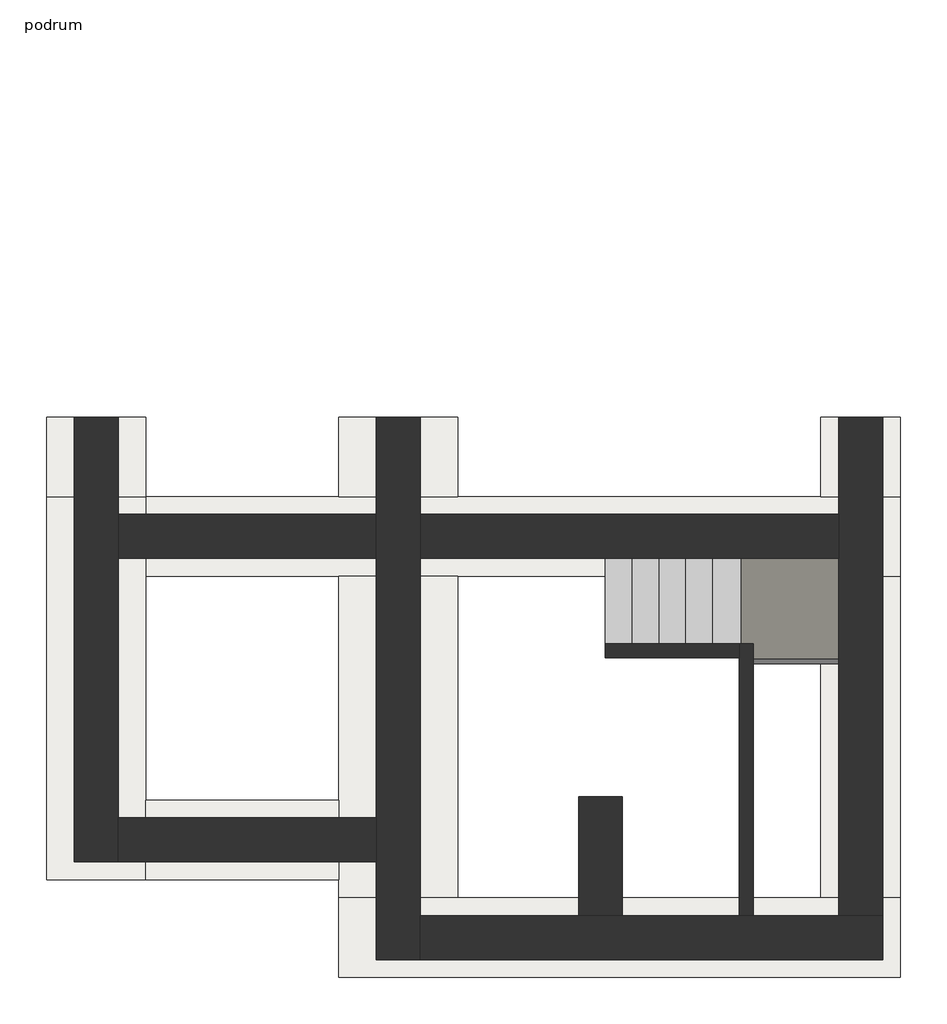
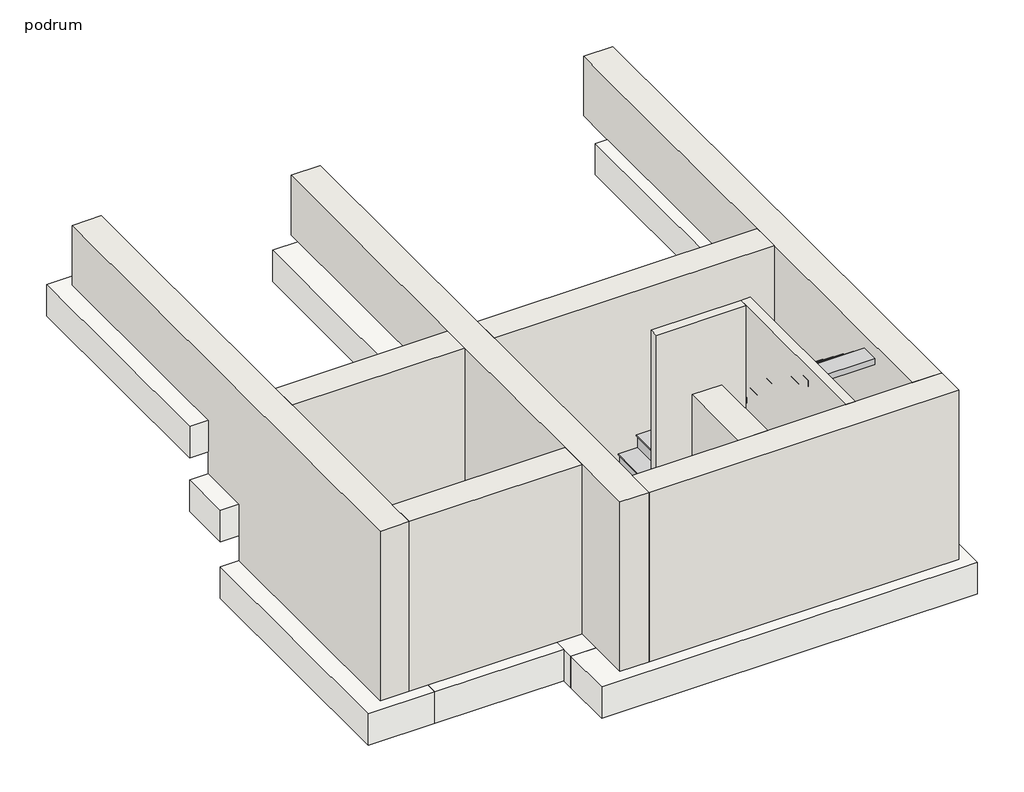
# One storey: 9 walls, 6 footings, 2 stair flights, 1 slab.
"""IFC4 building model written with IfcOpenShell, lengths in millimetres."""

from ifc_helpers import new_model, si_unit, frame, origin, place, context, project, spatial, polyline, outline, extrude, faceted_brep, element, save

model = new_model("IFC4")

# Units and contexts
model_context = context("Model", 3, world=origin())
ifc_project = project(units=[si_unit("LENGTHUNIT", "METRE", prefix="MILLI")], contexts=[model_context])

# Site, building, storey
site = spatial("IfcSite", under=ifc_project)
building = spatial("IfcBuilding", under=site)
storey = spatial("IfcBuildingStorey", under=building, Name="podrum", Elevation=-2700.0)

# Footings
placement = place(None, origin())
element("IfcFooting", 1, at=placement, inside=storey, context=model_context, shape_type="Brep", body=[
    faceted_brep([(-5802.7764394, 1605.8242855, -950.0), (-6802.7764394, 1605.8242855, -950.0), (-6802.7764394, 1605.8242855, -1450.0), (-5802.7764394, 1605.8242855, -1450.0), (-6802.7764394, 5335.8242855, -950.0), (-5802.7764394, 2850.8242855, -950.0), (-5802.7764394, 3650.8242855, -950.0), (-5802.7764394, 4535.8242855, -950.0), (-5802.7764394, 5335.8242855, -950.0), (-5802.7764394, 5335.8242855, -1450.0), (-5802.7764394, 2850.8242855, -1450.0), (-5802.7764394, 3650.8242855, -1450.0), (-5802.7764394, 4535.8242855, -1450.0), (-6802.7764394, 5335.8242855, -1450.0)], [[[0, 1, 2, 3]], [[4, 1, 0, 5, 6, 7, 8]], [[9, 8, 7, 6, 5, 0, 3, 10, 11, 12]], [[13, 9, 12, 11, 10, 3, 2]], [[4, 13, 2, 1]], [[4, 8, 9, 13]]]),
    faceted_brep([(-6802.7764394, 1605.8242855, -1800.0), (-5802.7764394, 1605.8242855, -1800.0), (-5802.7764394, 1605.8242855, -2300.0), (-6802.7764394, 1605.8242855, -2300.0), (-5802.7764394, 805.8242855, -1800.0), (-6802.7764394, 805.8242855, -1800.0), (-6802.7764394, 805.8242855, -2300.0), (-5802.7764394, 805.8242855, -2300.0)], [[[0, 1, 2, 3]], [[4, 5, 6, 7]], [[0, 5, 4, 1]], [[2, 1, 4, 7]], [[3, 2, 7, 6]], [[0, 3, 6, 5]]]),
    faceted_brep([(-6802.7764394, 805.8242855, -2700.0), (-5802.7764394, 805.8242855, -2700.0), (-5802.7764394, 805.8242855, -3200.0), (-6802.7764394, 805.8242855, -3200.0), (-6802.7764394, -3049.1757145, -2700.0), (-5802.7764394, -3049.1757145, -2700.0), (-5802.7764394, -2249.1757145, -2700.0), (-5802.7764394, 5.8242855, -2700.0), (-5802.7764394, -3049.1757145, -3200.0), (-5802.7764394, -2249.1757145, -3200.0), (-5802.7764394, 5.8242855, -3200.0), (-6802.7764394, -3049.1757145, -3200.0)], [[[0, 1, 2, 3]], [[0, 4, 5, 6, 7, 1]], [[2, 1, 7, 6, 5, 8, 9, 10]], [[3, 2, 10, 9, 8, 11]], [[0, 3, 11, 4]], [[5, 4, 11, 8]]]),
])
element("IfcFooting", 2, at=placement, inside=storey, context=model_context, shape_type="Brep", body=[
    faceted_brep([(1792.2235606, 5.8242855, -2700.0), (1792.2235606, 805.8242855, -2700.0), (-5802.7764394, 805.8242855, -2700.0), (-5802.7764394, 5.8242855, -2700.0), (-3862.7764394, 5.8242855, -2700.0), (-2662.7764394, 5.8242855, -2700.0), (992.2235606, 5.8242855, -2700.0), (1792.2235606, 5.8242855, -3200.0), (-5802.7764394, 5.8242855, -3200.0), (-3862.7764394, 5.8242855, -3200.0), (-2662.7764394, 5.8242855, -3200.0), (992.2235606, 5.8242855, -3200.0), (1792.2235606, 805.8242855, -3200.0), (-5802.7764394, 805.8242855, -3200.0)], [[[0, 1, 2, 3, 4, 5, 6]], [[7, 0, 6, 5, 4, 3, 8, 9, 10, 11]], [[12, 7, 11, 10, 9, 8, 13]], [[1, 12, 13, 2]], [[3, 2, 13, 8]], [[1, 0, 7, 12]]]),
])
element("IfcFooting", 3, at=placement, inside=storey, context=model_context, shape_type="Brep", body=[
    faceted_brep([(-3862.7764394, -4034.1757145, -2700.0), (1792.2235606, -4034.1757145, -2700.0), (1792.2235606, -3234.1757145, -2700.0), (992.2235606, -3234.1757145, -2700.0), (-2662.7764394, -3234.1757145, -2700.0), (-3862.7764394, -3234.1757145, -2700.0), (-3862.7764394, -3234.1757145, -3200.0), (1792.2235606, -3234.1757145, -3200.0), (992.2235606, -3234.1757145, -3200.0), (-2662.7764394, -3234.1757145, -3200.0), (-3862.7764394, -4034.1757145, -3200.0), (1792.2235606, -4034.1757145, -3200.0)], [[[0, 1, 2, 3, 4, 5]], [[6, 5, 4, 3, 2, 7, 8, 9]], [[10, 6, 9, 8, 7, 11]], [[0, 10, 11, 1]], [[0, 5, 6, 10]], [[2, 1, 11, 7]]]),
])
element("IfcFooting", 4, at=placement, inside=storey, context=model_context, shape_type="SweptSolid", body=[
    extrude(outline(polyline([(-3862.7764394, -2249.1757145), (-3862.7764394, -3049.1757145), (-5802.7764394, -3049.1757145), (-5802.7764394, -2249.1757145), (-3862.7764394, -2249.1757145)])), frame((0.0, 0.0, -3200.0), z_axis=(0.0, 0.0, 1.0), x_axis=(1.0, 0.0, 0.0)), (0.0, 0.0, 1.0), 500.0),
])
element("IfcFooting", 5, at=placement, inside=storey, context=model_context, shape_type="Brep", body=[
    faceted_brep([(-2662.7764394, 1605.8242855, -1450.0), (-2662.7764394, 1605.8242855, -950.0), (-3862.7764394, 1605.8242855, -950.0), (-3862.7764394, 1605.8242855, -1450.0), (-2662.7764394, 4535.8242855, -950.0), (-3862.7764394, 4535.8242855, -950.0), (-3862.7764394, 3650.8242855, -950.0), (-3862.7764394, 2850.8242855, -950.0), (-2662.7764394, 4535.8242855, -1450.0), (-3862.7764394, 2850.8242855, -1450.0), (-3862.7764394, 3650.8242855, -1450.0), (-3862.7764394, 4535.8242855, -1450.0)], [[[0, 1, 2, 3]], [[2, 1, 4, 5, 6, 7]], [[1, 0, 8, 4]], [[0, 3, 9, 10, 11, 8]], [[3, 2, 7, 6, 5, 11, 10, 9]], [[5, 4, 8, 11]]]),
    faceted_brep([(-2662.7764394, 1605.8242855, -1800.0), (-2662.7764394, 1605.8242855, -2300.0), (-3862.7764394, 1605.8242855, -2300.0), (-3862.7764394, 1605.8242855, -1800.0), (-2662.7764394, 805.8242855, -2300.0), (-2662.7764394, 805.8242855, -1800.0), (-3862.7764394, 805.8242855, -1800.0), (-3862.7764394, 805.8242855, -2300.0)], [[[0, 1, 2, 3]], [[4, 5, 6, 7]], [[5, 0, 3, 6]], [[1, 0, 5, 4]], [[2, 1, 4, 7]], [[3, 2, 7, 6]]]),
    faceted_brep([(-2662.7764394, 5.8242855, -2700.0), (-3862.7764394, 5.8242855, -2700.0), (-3862.7764394, -2249.1757145, -2700.0), (-3862.7764394, -3049.1757145, -2700.0), (-3862.7764394, -3234.1757145, -2700.0), (-2662.7764394, -3234.1757145, -2700.0), (-2662.7764394, 5.8242855, -3200.0), (-2662.7764394, -3234.1757145, -3200.0), (-3862.7764394, 5.8242855, -3200.0), (-3862.7764394, -3234.1757145, -3200.0), (-3862.7764394, -3049.1757145, -3200.0), (-3862.7764394, -2249.1757145, -3200.0)], [[[0, 1, 2, 3, 4, 5]], [[6, 0, 5, 7]], [[8, 6, 7, 9, 10, 11]], [[1, 8, 11, 10, 9, 4, 3, 2]], [[1, 0, 6, 8]], [[5, 4, 9, 7]]]),
])
element("IfcFooting", 6, at=placement, inside=storey, context=model_context, shape_type="SweptSolid", body=[
    extrude(outline(polyline([(992.2235606, 5.8242855), (1792.2235606, 5.8242855), (1792.2235606, -3234.1757145), (992.2235606, -3234.1757145), (992.2235606, 5.8242855)])), frame((0.0, 0.0, -3200.0), z_axis=(0.0, 0.0, 1.0), x_axis=(1.0, 0.0, 0.0)), (0.0, 0.0, 1.0), 500.0),
    extrude(outline(polyline([(1792.2235606, 805.8242855), (992.2235606, 805.8242855), (992.2235606, 1605.8242855), (1792.2235606, 1605.8242855), (1792.2235606, 805.8242855)])), frame((0.0, 0.0, -2300.0), z_axis=(0.0, 0.0, 1.0), x_axis=(1.0, 0.0, 0.0)), (0.0, 0.0, 1.0), 500.0),
    extrude(outline(polyline([(1792.2235606, 1605.8242855), (992.2235606, 1605.8242855), (992.2235606, 4535.8242855), (1792.2235606, 4535.8242855), (1792.2235606, 1605.8242855)])), frame((0.0, 0.0, -1450.0), z_axis=(0.0, 0.0, 1.0), x_axis=(1.0, 0.0, 0.0)), (0.0, 0.0, 1.0), 500.0),
])

# Slab
element("IfcSlab", 7, ObjectType="Non-Monolithic Landing", at=placement, inside=storey, context=model_context, shape_type="Brep", body=[
    faceted_brep([(172.2235606, -833.2257145, -1453.8461538), (1172.2235606, -833.2257145, -1453.8461538), (1172.2235606, -814.1757145, -1453.8461538), (1172.2235606, -706.2334581, -1453.8461538), (1172.2235606, 185.8242855, -1453.8461538), (334.2813042, 185.8242855, -1453.8461538), (172.2235606, 185.8242855, -1453.8461538), (172.2235606, -814.1757145, -1453.8461538), (191.2735606, -814.1757145, -1491.9461538), (191.2735606, 185.8242855, -1491.9461538), (191.2735606, 185.8242855, -1661.5384615), (191.2735606, 185.8242855, -1741.6521105), (191.2735606, -814.1757145, -1741.6521105), (191.2735606, -814.1757145, -1661.5384615), (191.2735606, -814.1757145, -1548.6136489), (172.2235606, -814.1757145, -1472.8961538), (172.2235606, -814.1757145, -1548.6136489), (172.2235606, 185.8242855, -1472.8961538), (172.2235606, -833.2257145, -1533.9598028), (1172.2235606, -833.2257145, -1533.9598028), (1172.2235606, -814.1757145, -1548.6136489), (1172.2235606, -706.2334581, -1631.6461538), (1172.2235606, 185.8242855, -1631.6461538), (334.2813042, 185.8242855, -1631.6461538), (334.2813042, -706.2334581, -1631.6461538), (334.2813042, -814.1757145, -1631.6461538), (334.2813042, -814.1757145, -1548.6136489)], [[[0, 1, 2, 3, 4, 5, 6, 7]], [[8, 9, 10, 11, 12, 13, 14]], [[15, 8, 14, 16]], [[6, 17, 15, 16, 18, 0, 7]], [[1, 0, 18, 19]], [[2, 1, 19, 20]], [[2, 20, 21, 22, 4, 3]], [[17, 6, 5, 4, 22, 23, 11, 10, 9]], [[24, 23, 22, 21]], [[24, 25, 12, 11, 23]], [[25, 24, 26]], [[25, 26, 14, 13, 12]], [[24, 21, 20, 19, 18, 16, 14, 26]], [[9, 8, 15, 17]]]),
])

# Stair flights
element("IfcStairFlight", 8, ObjectType="2\" Tread 1\" Nosing 1/4\" Riser", at=placement, inside=storey, context=model_context, shape_type="Brep", body=[
    faceted_brep([(-888.7264394, 185.8242855, -2492.3076923), (-1177.7764394, 185.8242855, -2492.3076923), (-1177.7764394, -814.1757145, -2492.3076923), (-888.7264394, -814.1757145, -2492.3076923), (-888.7264394, 185.8242855, -2572.4213412), (-1054.5786958, 185.8242855, -2700.0), (-1158.7264394, 185.8242855, -2700.0), (-1158.7264394, 185.8242855, -2530.4076923), (-1177.7764394, 185.8242855, -2511.3576923), (-1158.7264394, -814.1757145, -2700.0), (-1158.7264394, -814.1757145, -2530.4076923), (-1177.7764394, -814.1757145, -2511.3576923), (-1054.5786958, -814.1757145, -2700.0), (-888.7264394, -814.1757145, -2572.4213412), (-618.7264394, 185.8242855, -2284.6153846), (-907.7764394, 185.8242855, -2284.6153846), (-907.7764394, -814.1757145, -2284.6153846), (-618.7264394, -814.1757145, -2284.6153846), (-618.7264394, 185.8242855, -2364.7290335), (-888.7264394, 185.8242855, -2322.7153846), (-907.7764394, 185.8242855, -2303.6653846), (-888.7264394, -814.1757145, -2322.7153846), (-907.7764394, -814.1757145, -2303.6653846), (-618.7264394, -814.1757145, -2364.7290335), (-348.7264394, 185.8242855, -2076.9230769), (-637.7764394, 185.8242855, -2076.9230769), (-637.7764394, -814.1757145, -2076.9230769), (-348.7264394, -814.1757145, -2076.9230769), (-348.7264394, 185.8242855, -2157.0367259), (-618.7264394, 185.8242855, -2115.0230769), (-637.7764394, 185.8242855, -2095.9730769), (-618.7264394, -814.1757145, -2115.0230769), (-637.7764394, -814.1757145, -2095.9730769), (-348.7264394, -814.1757145, -2157.0367259), (-78.7264394, 185.8242855, -1869.2307692), (-367.7764394, 185.8242855, -1869.2307692), (-367.7764394, -814.1757145, -1869.2307692), (-78.7264394, -814.1757145, -1869.2307692), (-78.7264394, 185.8242855, -1949.3444182), (-348.7264394, 185.8242855, -1907.3307692), (-367.7764394, 185.8242855, -1888.2807692), (-348.7264394, -814.1757145, -1907.3307692), (-367.7764394, -814.1757145, -1888.2807692), (-78.7264394, -814.1757145, -1949.3444182), (191.2735606, 185.8242855, -1661.5384615), (172.2235606, 185.8242855, -1661.5384615), (-97.7764394, 185.8242855, -1661.5384615), (-97.7764394, -814.1757145, -1661.5384615), (172.2235606, -814.1757145, -1661.5384615), (191.2735606, -814.1757145, -1661.5384615), (191.2735606, 185.8242855, -1741.6521105), (172.2235606, 185.8242855, -1756.3059566), (-78.7264394, -814.1757145, -1699.6384615), (-78.7264394, 185.8242855, -1699.6384615), (-97.7764394, -814.1757145, -1680.5884615), (172.2235606, -814.1757145, -1756.3059566), (191.2735606, -814.1757145, -1741.6521105), (-97.7764394, 185.8242855, -1680.5884615)], [[[0, 1, 2, 3]], [[1, 0, 4, 5, 6, 7, 8]], [[7, 6, 9, 10]], [[3, 2, 11, 10, 9, 12, 13]], [[14, 15, 16, 17]], [[15, 14, 18, 4, 0, 19, 20]], [[0, 3, 21, 19]], [[17, 16, 22, 21, 3, 13, 23]], [[24, 25, 26, 27]], [[25, 24, 28, 18, 14, 29, 30]], [[14, 17, 31, 29]], [[27, 26, 32, 31, 17, 23, 33]], [[34, 35, 36, 37]], [[35, 34, 38, 28, 24, 39, 40]], [[24, 27, 41, 39]], [[37, 36, 42, 41, 27, 33, 43]], [[44, 45, 46, 47, 48, 49]], [[45, 44, 50, 51]], [[34, 37, 52, 53]], [[48, 47, 54, 52, 37, 43, 55]], [[44, 49, 56, 50]], [[9, 6, 5, 12]], [[12, 5, 4, 18, 28, 38, 51, 50, 56, 55, 43, 33, 23, 13]], [[46, 45, 51, 38, 34, 53, 57]], [[49, 48, 55, 56]], [[2, 1, 8, 11]], [[8, 7, 10, 11]], [[16, 15, 20, 22]], [[20, 19, 21, 22]], [[26, 25, 30, 32]], [[30, 29, 31, 32]], [[36, 35, 40, 42]], [[40, 39, 41, 42]], [[47, 46, 57, 54]], [[57, 53, 52, 54]]]),
])
element("IfcStairFlight", 9, ObjectType="2\" Tread 1\" Nosing 1/4\" Riser", at=placement, inside=storey, context=model_context, shape_type="Brep", body=[
    faceted_brep([(1172.2235606, -1103.2257145, -1246.1538462), (1172.2235606, -814.1757145, -1246.1538462), (172.2235606, -814.1757145, -1246.1538462), (172.2235606, -1103.2257145, -1246.1538462), (1172.2235606, -1103.2257145, -1326.2674951), (1172.2235606, -833.2257145, -1533.9598028), (1172.2235606, -833.2257145, -1453.8461538), (1172.2235606, -833.2257145, -1284.2538462), (1172.2235606, -814.1757145, -1265.2038462), (172.2235606, -833.2257145, -1284.2538462), (172.2235606, -833.2257145, -1533.9598028), (172.2235606, -833.2257145, -1453.8461538), (172.2235606, -814.1757145, -1265.2038462), (172.2235606, -1103.2257145, -1326.2674951), (1172.2235606, -1373.2257145, -1038.4615385), (1172.2235606, -1084.1757145, -1038.4615385), (172.2235606, -1084.1757145, -1038.4615385), (172.2235606, -1373.2257145, -1038.4615385), (1172.2235606, -1373.2257145, -1118.5751874), (1172.2235606, -1103.2257145, -1076.5615385), (1172.2235606, -1084.1757145, -1057.5115385), (172.2235606, -1103.2257145, -1076.5615385), (172.2235606, -1084.1757145, -1057.5115385), (172.2235606, -1373.2257145, -1118.5751874), (1172.2235606, -1643.2257145, -830.7692308), (1172.2235606, -1354.1757145, -830.7692308), (172.2235606, -1354.1757145, -830.7692308), (172.2235606, -1643.2257145, -830.7692308), (1172.2235606, -1643.2257145, -910.8828797), (1172.2235606, -1373.2257145, -868.8692308), (1172.2235606, -1354.1757145, -849.8192308), (172.2235606, -1373.2257145, -868.8692308), (172.2235606, -1354.1757145, -849.8192308), (172.2235606, -1643.2257145, -910.8828797), (1172.2235606, -1913.2257145, -623.0769231), (1172.2235606, -1624.1757145, -623.0769231), (172.2235606, -1624.1757145, -623.0769231), (172.2235606, -1913.2257145, -623.0769231), (1172.2235606, -1913.2257145, -703.190572), (1172.2235606, -1643.2257145, -661.1769231), (1172.2235606, -1624.1757145, -642.1269231), (172.2235606, -1643.2257145, -661.1769231), (172.2235606, -1624.1757145, -642.1269231), (172.2235606, -1913.2257145, -703.190572), (1172.2235606, -2183.2257145, -415.3846154), (1172.2235606, -1894.1757145, -415.3846154), (172.2235606, -1894.1757145, -415.3846154), (172.2235606, -2183.2257145, -415.3846154), (1172.2235606, -2183.2257145, -495.4982643), (1172.2235606, -1913.2257145, -453.4846154), (1172.2235606, -1894.1757145, -434.4346154), (172.2235606, -1913.2257145, -453.4846154), (172.2235606, -1894.1757145, -434.4346154), (172.2235606, -2183.2257145, -495.4982643), (172.2235606, -2434.1757145, -207.6923077), (1172.2235606, -2434.1757145, -207.6923077), (1172.2235606, -2164.1757145, -207.6923077), (172.2235606, -2164.1757145, -207.6923077), (1172.2235606, -2434.1757145, -302.4598028), (1172.2235606, -2183.2257145, -245.7923077), (1172.2235606, -2164.1757145, -226.7423077), (172.2235606, -2183.2257145, -245.7923077), (172.2235606, -2164.1757145, -226.7423077), (172.2235606, -2434.1757145, -302.4598028)], [[[0, 1, 2, 3]], [[1, 0, 4, 5, 6, 7, 8]], [[9, 7, 6, 5, 10, 11]], [[3, 2, 12, 9, 11, 10, 13]], [[14, 15, 16, 17]], [[15, 14, 18, 4, 0, 19, 20]], [[21, 19, 0, 3]], [[17, 16, 22, 21, 3, 13, 23]], [[24, 25, 26, 27]], [[25, 24, 28, 18, 14, 29, 30]], [[31, 29, 14, 17]], [[27, 26, 32, 31, 17, 23, 33]], [[34, 35, 36, 37]], [[35, 34, 38, 28, 24, 39, 40]], [[41, 39, 24, 27]], [[37, 36, 42, 41, 27, 33, 43]], [[44, 45, 46, 47]], [[45, 44, 48, 38, 34, 49, 50]], [[51, 49, 34, 37]], [[47, 46, 52, 51, 37, 43, 53]], [[54, 55, 56, 57]], [[56, 55, 58, 48, 44, 59, 60]], [[61, 59, 44, 47]], [[54, 57, 62, 61, 47, 53, 63]], [[55, 54, 63, 58]], [[5, 4, 18, 28, 38, 48, 58, 63, 53, 43, 33, 23, 13, 10]], [[2, 1, 8, 12]], [[8, 7, 9, 12]], [[16, 15, 20, 22]], [[20, 19, 21, 22]], [[26, 25, 30, 32]], [[30, 29, 31, 32]], [[36, 35, 40, 42]], [[40, 39, 41, 42]], [[46, 45, 50, 52]], [[50, 49, 51, 52]], [[57, 56, 60, 62]], [[60, 59, 61, 62]]]),
])

# Walls
element("IfcWall", 10, at=placement, inside=storey, context=model_context, shape_type="Brep", body=[
    faceted_brep([(-6522.7764394, 5155.8242855, -950.0), (-6522.7764394, 1605.8242855, -950.0), (-6522.7764394, 1605.8242855, -1800.0), (-6522.7764394, 805.8242855, -1800.0), (-6522.7764394, 805.8242855, -2700.0), (-6522.7764394, -2869.1757145, -2700.0), (-6522.7764394, -2869.1757145, 0.0), (-6522.7764394, 5155.8242855, 0.0), (-6082.7764394, 5155.8242855, -950.0), (-6082.7764394, 5155.8242855, 0.0), (-6082.7764394, 4715.8242855, 0.0), (-6082.7764394, 3470.8242855, 0.0), (-6082.7764394, 3030.8242855, 0.0), (-6082.7764394, 625.8242855, 0.0), (-6082.7764394, 185.8242855, 0.0), (-6082.7764394, -2429.1757145, 0.0), (-6082.7764394, -2869.1757145, 0.0), (-6082.7764394, -2869.1757145, -2700.0), (-6082.7764394, -2429.1757145, -2700.0), (-6082.7764394, 185.8242855, -2700.0), (-6082.7764394, 625.8242855, -2700.0), (-6082.7764394, 805.8242855, -2700.0), (-6082.7764394, 805.8242855, -1800.0), (-6082.7764394, 1605.8242855, -1800.0), (-6082.7764394, 1605.8242855, -950.0), (-6082.7764394, 3030.8242855, -950.0), (-6082.7764394, 3470.8242855, -950.0), (-6082.7764394, 4715.8242855, -950.0)], [[[0, 1, 2, 3, 4, 5, 6, 7]], [[8, 9, 10, 11, 12, 13, 14, 15, 16, 17, 18, 19, 20, 21, 22, 23, 24, 25, 26, 27]], [[6, 5, 17, 16]], [[0, 7, 9, 8]], [[5, 4, 21, 20, 19, 18, 17]], [[7, 6, 16, 15, 14, 13, 12, 11, 10, 9]], [[1, 0, 8, 27, 26, 25, 24]], [[2, 1, 24, 23]], [[3, 2, 23, 22]], [[4, 3, 22, 21]]]),
])
element("IfcWall", 11, at=placement, inside=storey, context=model_context, shape_type="SweptSolid", body=[
    extrude(outline(polyline([(-3482.7764394, -2869.1757145), (-6082.7764394, -2869.1757145), (-6082.7764394, -2429.1757145), (-3482.7764394, -2429.1757145), (-3482.7764394, -2869.1757145)])), frame((0.0, 0.0, -2700.0), z_axis=(0.0, 0.0, 1.0), x_axis=(1.0, 0.0, 0.0)), (0.0, 0.0, 1.0), 2700.0),
])
element("IfcWall", 12, at=placement, inside=storey, context=model_context, shape_type="Brep", body=[
    faceted_brep([(-3482.7764394, 4715.8242855, -950.0), (-3482.7764394, 3470.8242855, -950.0), (-3482.7764394, 3030.8242855, -950.0), (-3482.7764394, 1605.8242855, -950.0), (-3482.7764394, 1605.8242855, -1800.0), (-3482.7764394, 805.8242855, -1800.0), (-3482.7764394, 805.8242855, -2700.0), (-3482.7764394, 625.8242855, -2700.0), (-3482.7764394, 185.8242855, -2700.0), (-3482.7764394, -2429.1757145, -2700.0), (-3482.7764394, -2869.1757145, -2700.0), (-3482.7764394, -3854.1757145, -2700.0), (-3482.7764394, -3854.1757145, 0.0), (-3482.7764394, -2869.1757145, 0.0), (-3482.7764394, -2429.1757145, 0.0), (-3482.7764394, 185.8242855, 0.0), (-3482.7764394, 625.8242855, 0.0), (-3482.7764394, 3030.8242855, 0.0), (-3482.7764394, 3470.8242855, 0.0), (-3482.7764394, 4715.8242855, 0.0), (-3042.7764394, 4715.8242855, -950.0), (-3042.7764394, 4715.8242855, 0.0), (-3042.7764394, 625.8242855, 0.0), (-3042.7764394, 185.8242855, 0.0), (-3042.7764394, -3414.1757145, 0.0), (-3042.7764394, -3854.1757145, 0.0), (-3042.7764394, -3854.1757145, -2700.0), (-3042.7764394, -3414.1757145, -2700.0), (-3042.7764394, 185.8242855, -2700.0), (-3042.7764394, 625.8242855, -2700.0), (-3042.7764394, 805.8242855, -2700.0), (-3042.7764394, 805.8242855, -1800.0), (-3042.7764394, 1605.8242855, -1800.0), (-3042.7764394, 1605.8242855, -950.0)], [[[0, 1, 2, 3, 4, 5, 6, 7, 8, 9, 10, 11, 12, 13, 14, 15, 16, 17, 18, 19]], [[20, 21, 22, 23, 24, 25, 26, 27, 28, 29, 30, 31, 32, 33]], [[12, 11, 26, 25]], [[0, 19, 21, 20]], [[11, 10, 9, 8, 7, 6, 30, 29, 28, 27, 26]], [[19, 18, 17, 16, 15, 14, 13, 12, 25, 24, 23, 22, 21]], [[3, 2, 1, 0, 20, 33]], [[4, 3, 33, 32]], [[5, 4, 32, 31]], [[6, 5, 31, 30]]]),
])
element("IfcWall", 13, at=placement, inside=storey, context=model_context, shape_type="Brep", body=[
    faceted_brep([(-3042.7764394, -3854.1757145, -2700.0), (1612.2235606, -3854.1757145, -2700.0), (1612.2235606, -3854.1757145, 0.0), (-3042.7764394, -3854.1757145, 0.0), (-3042.7764394, -3414.1757145, -2700.0), (-3042.7764394, -3414.1757145, 0.0), (-1446.7764394, -3414.1757145, 0.0), (-1006.7764394, -3414.1757145, 0.0), (172.2235606, -3414.1757145, 0.0), (312.2235606, -3414.1757145, 0.0), (1172.2235606, -3414.1757145, 0.0), (1612.2235606, -3414.1757145, 0.0), (1612.2235606, -3414.1757145, -2700.0), (1172.2235606, -3414.1757145, -2700.0), (312.2235606, -3414.1757145, -2700.0), (172.2235606, -3414.1757145, -2700.0), (-1006.7764394, -3414.1757145, -2700.0), (-1446.7764394, -3414.1757145, -2700.0)], [[[0, 1, 2, 3]], [[4, 5, 6, 7, 8, 9, 10, 11, 12, 13, 14, 15, 16, 17]], [[1, 0, 4, 17, 16, 15, 14, 13, 12]], [[3, 2, 11, 10, 9, 8, 7, 6, 5]], [[0, 3, 5, 4]], [[2, 1, 12, 11]]]),
])
element("IfcWall", 14, at=placement, inside=storey, context=model_context, shape_type="Brep", body=[
    faceted_brep([(1612.2235606, -3414.1757145, -2700.0), (1612.2235606, 805.8242855, -2700.0), (1612.2235606, 805.8242855, -1800.0), (1612.2235606, 1605.8242855, -1800.0), (1612.2235606, 1605.8242855, -950.0), (1612.2235606, 5155.8242855, -950.0), (1612.2235606, 5155.8242855, 0.0), (1612.2235606, -3414.1757145, 0.0), (1172.2235606, -3414.1757145, -2700.0), (1172.2235606, -3414.1757145, 0.0), (1172.2235606, 185.8242855, 0.0), (1172.2235606, 625.8242855, 0.0), (1172.2235606, 4715.8242855, 0.0), (1172.2235606, 5155.8242855, 0.0), (1172.2235606, 5155.8242855, -950.0), (1172.2235606, 4715.8242855, -950.0), (1172.2235606, 1605.8242855, -950.0), (1172.2235606, 1605.8242855, -1800.0), (1172.2235606, 805.8242855, -1800.0), (1172.2235606, 805.8242855, -2700.0), (1172.2235606, 625.8242855, -2700.0), (1172.2235606, 185.8242855, -2700.0)], [[[0, 1, 2, 3, 4, 5, 6, 7]], [[8, 9, 10, 11, 12, 13, 14, 15, 16, 17, 18, 19, 20, 21]], [[0, 7, 9, 8]], [[6, 5, 14, 13]], [[1, 0, 8, 21, 20, 19]], [[7, 6, 13, 12, 11, 10, 9]], [[5, 4, 16, 15, 14]], [[2, 1, 19, 18]], [[3, 2, 18, 17]], [[4, 3, 17, 16]]]),
])
element("IfcWall", 15, at=placement, inside=storey, context=model_context, shape_type="SweptSolid", body=[
    extrude(outline(polyline([(1172.2235606, 625.8242855), (1172.2235606, 185.8242855), (-3042.7764394, 185.8242855), (-3042.7764394, 625.8242855), (1172.2235606, 625.8242855)])), frame((0.0, 0.0, -2700.0), z_axis=(0.0, 0.0, 1.0), x_axis=(1.0, 0.0, 0.0)), (0.0, 0.0, 1.0), 2700.0),
    extrude(outline(polyline([(-6082.7764394, 185.8242855), (-6082.7764394, 625.8242855), (-3482.7764394, 625.8242855), (-3482.7764394, 185.8242855), (-6082.7764394, 185.8242855)])), frame((0.0, 0.0, -2700.0), z_axis=(0.0, 0.0, 1.0), x_axis=(1.0, 0.0, 0.0)), (0.0, 0.0, 1.0), 2700.0),
])
element("IfcWall", 16, at=placement, inside=storey, context=model_context, shape_type="SweptSolid", body=[
    extrude(outline(polyline([(-1006.7764394, -2214.1757145), (-1006.7764394, -3414.1757145), (-1446.7764394, -3414.1757145), (-1446.7764394, -2214.1757145), (-1006.7764394, -2214.1757145)])), frame((0.0, 0.0, -2700.0), z_axis=(0.0, 0.0, 1.0), x_axis=(1.0, 0.0, 0.0)), (0.0, 0.0, 1.0), 2700.0),
])
element("IfcWall", 17, at=placement, inside=storey, context=model_context, shape_type="Brep", body=[
    faceted_brep([(172.2235606, -674.1757145, -2700.0), (172.2235606, -814.1757145, -2700.0), (172.2235606, -3414.1757145, -2700.0), (172.2235606, -3414.1757145, 0.0), (172.2235606, -814.1757145, 0.0), (172.2235606, -674.1757145, 0.0), (312.2235606, -674.1757145, -2700.0), (312.2235606, -674.1757145, 0.0), (312.2235606, -3414.1757145, 0.0), (312.2235606, -3414.1757145, -2700.0)], [[[0, 1, 2, 3, 4, 5]], [[6, 7, 8, 9]], [[2, 1, 0, 6, 9]], [[5, 4, 3, 8, 7]], [[3, 2, 9, 8]], [[0, 5, 7, 6]]]),
])
element("IfcWall", 18, at=placement, inside=storey, context=model_context, shape_type="SweptSolid", body=[
    extrude(outline(polyline([(172.2235606, -814.1757145), (-1177.7764394, -814.1757145), (-1177.7764394, -674.1757145), (172.2235606, -674.1757145), (172.2235606, -814.1757145)])), frame((0.0, 0.0, -2700.0), z_axis=(0.0, 0.0, 1.0), x_axis=(1.0, 0.0, 0.0)), (0.0, 0.0, 1.0), 2700.0),
])

save(model, "model.ifc")
